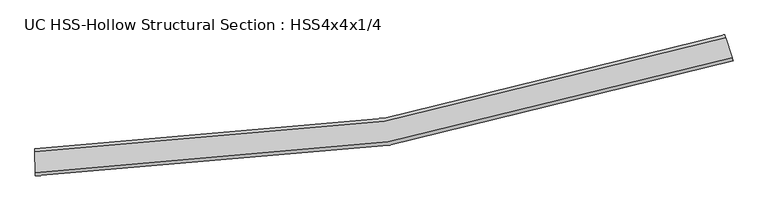
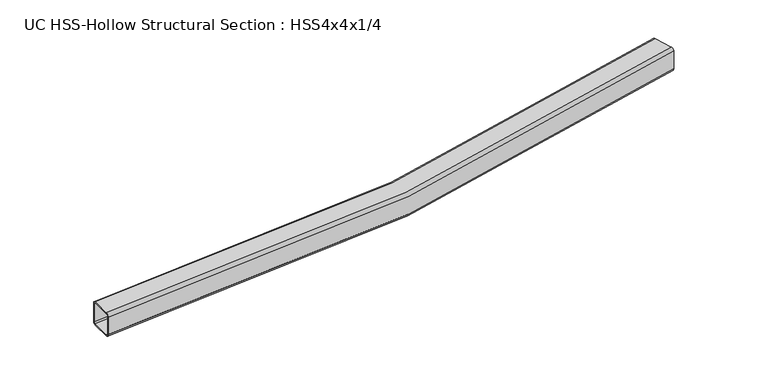
"""IFC4 building model written with IfcOpenShell, lengths in millimetres: beam geometry, UC HSS-Hollow Structural Section : HSS4x4x1/4."""

from ifc_helpers import new_model, si_unit, point, frame, origin, place, context, project, spatial, polyline, circle_curve, ellipse_curve, trimmed, source, transform, mapped, element, save
from ifc_brep_helpers import plane_surface, cylinder_surface, revolved_surface, advanced_brep


def uc_hss_hollow_structural_section_hss4x4x1_4_cd1f9de2(model_context):
    return source(origin(), model_context, "Body", "AdvancedBrep", [
        advanced_brep(
        [(2681.549469, 376.1868818, 38.9636), (2681.549469, 376.1868818, -38.9636), (2677.8732257, 387.4379085, -50.8), (2653.6699758, 461.511191, -50.8), (2649.9937325, 472.7622176, -38.9636), (2649.9937325, 472.7622176, 38.9636), (2653.6699758, 461.511191, 50.8), (2677.8732257, 387.4379085, 50.8), (2653.6699758, 461.511191, 44.8818), (2651.8318541, 467.1367043, 38.9636), (2651.8318541, 467.1367043, -38.9636), (2653.6699758, 461.511191, -44.8818), (2677.8732257, 387.4379085, -44.8818), (2679.7113474, 381.8123951, -38.9636), (2679.7113474, 381.8123951, 38.9636), (2677.8732257, 387.4379085, 44.8818), (93.011148, -50.2989842, 38.9636), (92.8836353, -38.4632711, 50.8), (92.0441311, 39.4594068, 50.8), (91.9166184, 51.29512, 38.9636), (91.9166184, 51.29512, -38.9636), (92.0441311, 39.4594068, -50.8), (92.8836353, -38.4632711, -50.8), (93.011148, -50.2989842, -38.9636), (92.0441311, 39.4594068, 44.8818), (92.8836353, -38.4632711, 44.8818), (92.9473917, -44.3811276, 38.9636), (92.9473917, -44.3811276, -38.9636), (92.8836353, -38.4632711, -44.8818), (92.0441311, 39.4594068, -44.8818), (91.9803747, 45.3772634, -38.9636), (91.9803747, 45.3772634, 38.9636)],
        [
            (0, 1),
            (1, 2, circle_curve(frame((2677.8732257, 387.4379085, -38.9636), z_axis=(0.9505446438749023, 0.3105879585572099, 0.0), x_axis=(-0.3105879585572099, 0.9505446438749023, 0.0)), 11.8364)),
            (2, 3),
            (3, 4, circle_curve(frame((2653.6699758, 461.511191, -38.9636), z_axis=(0.9505446438749023, 0.3105879585572099, 0.0), x_axis=(-0.3105879585572099, 0.9505446438749023, 0.0)), 11.8364)),
            (4, 5),
            (5, 6, circle_curve(frame((2653.6699758, 461.511191, 38.9636), z_axis=(0.9505446438749023, 0.3105879585572099, 0.0), x_axis=(-0.3105879585572099, 0.9505446438749023, 0.0)), 11.8364)),
            (6, 7),
            (7, 0, circle_curve(frame((2677.8732257, 387.4379085, 38.9636), z_axis=(0.9505446438749023, 0.3105879585572099, 0.0), x_axis=(-0.3105879585572099, 0.9505446438749023, 0.0)), 11.8364)),
            (8, 9, circle_curve(frame((2653.6699758, 461.511191, 38.9636), z_axis=(-0.9505446438749023, -0.3105879585572099, 0.0), x_axis=(-0.3105879585572099, 0.9505446438749023, 0.0)), 5.9182)),
            (9, 10),
            (10, 11, circle_curve(frame((2653.6699758, 461.511191, -38.9636), z_axis=(-0.9505446438749023, -0.3105879585572099, 0.0), x_axis=(-0.3105879585572099, 0.9505446438749023, 0.0)), 5.9182)),
            (11, 12),
            (12, 13, circle_curve(frame((2677.8732257, 387.4379085, -38.9636), z_axis=(-0.9505446438749023, -0.3105879585572099, 0.0), x_axis=(-0.3105879585572099, 0.9505446438749023, 0.0)), 5.9182)),
            (13, 14),
            (14, 15, circle_curve(frame((2677.8732257, 387.4379085, 38.9636), z_axis=(-0.9505446438749023, -0.3105879585572099, 0.0), x_axis=(-0.3105879585572099, 0.9505446438749023, 0.0)), 5.9182)),
            (15, 8),
            (16, 17, circle_curve(frame((92.8836353, -38.4632711, 38.9636), z_axis=(-0.999941970314481, -0.010772929202112813, 0.0), x_axis=(-0.010772929202112813, 0.999941970314481, 0.0)), 11.8364)),
            (17, 18),
            (18, 19, circle_curve(frame((92.0441311, 39.4594068, 38.9636), z_axis=(-0.999941970314481, -0.010772929202112813, 0.0), x_axis=(-0.010772929202112813, 0.999941970314481, 0.0)), 11.8364)),
            (19, 20),
            (20, 21, circle_curve(frame((92.0441311, 39.4594068, -38.9636), z_axis=(-0.999941970314481, -0.010772929202112813, 0.0), x_axis=(-0.010772929202112813, 0.999941970314481, 0.0)), 11.8364)),
            (21, 22),
            (22, 23, circle_curve(frame((92.8836353, -38.4632711, -38.9636), z_axis=(-0.999941970314481, -0.010772929202112813, 0.0), x_axis=(-0.010772929202112813, 0.999941970314481, 0.0)), 11.8364)),
            (23, 16),
            (24, 25),
            (25, 26, circle_curve(frame((92.8836353, -38.4632711, 38.9636), z_axis=(0.999941970314481, 0.010772929202112813, 0.0), x_axis=(-0.010772929202112813, 0.999941970314481, 0.0)), 5.9182)),
            (26, 27),
            (27, 28, circle_curve(frame((92.8836353, -38.4632711, -38.9636), z_axis=(0.999941970314481, 0.010772929202112813, 0.0), x_axis=(-0.010772929202112813, 0.999941970314481, 0.0)), 5.9182)),
            (28, 29),
            (29, 30, circle_curve(frame((92.0441311, 39.4594068, -38.9636), z_axis=(0.999941970314481, 0.010772929202112813, 0.0), x_axis=(-0.010772929202112813, 0.999941970314481, 0.0)), 5.9182)),
            (30, 31),
            (31, 24, circle_curve(frame((92.0441311, 39.4594068, 38.9636), z_axis=(0.999941970314481, 0.010772929202112813, 0.0), x_axis=(-0.010772929202112813, 0.999941970314481, 0.0)), 5.9182)),
            (7, 17, circle_curve(frame((0.0, 8582.9843924, 50.8), z_axis=(0.0, 0.0, -1.0), x_axis=(-0.9002825466329825, 0.43530602594959755, 0.0)), 8621.9479924)),
            (16, 0, circle_curve(frame((0.0, 8582.9843924, 38.9636), z_axis=(0.0, 0.0, 1.0), x_axis=(-0.9002825466329825, 0.43530602594959755, 0.0)), 8633.7843924)),
            (6, 18, circle_curve(frame((0.0, 8582.9843924, 50.8), z_axis=(0.0, 0.0, -1.0), x_axis=(-0.9002825466329825, 0.43530602594959755, 0.0)), 8544.0207924)),
            (5, 19, circle_curve(frame((0.0, 8582.9843924, 38.9636), z_axis=(0.0, 0.0, -1.0), x_axis=(-0.9002825466329825, 0.43530602594959755, 0.0)), 8532.1843924)),
            (4, 20, circle_curve(frame((0.0, 8582.9843924, -38.9636), z_axis=(0.0, 0.0, -1.0), x_axis=(-0.9002825466329825, 0.43530602594959755, 0.0)), 8532.1843924)),
            (3, 21, circle_curve(frame((0.0, 8582.9843924, -50.8), z_axis=(0.0, 0.0, -1.0), x_axis=(-0.9002825466329825, 0.43530602594959755, 0.0)), 8544.0207924)),
            (2, 22, circle_curve(frame((0.0, 8582.9843924, -50.8), z_axis=(0.0, 0.0, -1.0), x_axis=(-0.9002825466329825, 0.43530602594959755, 0.0)), 8621.9479924)),
            (1, 23, circle_curve(frame((0.0, 8582.9843924, -38.9636), z_axis=(0.0, 0.0, -1.0), x_axis=(-0.9002825466329825, 0.43530602594959755, 0.0)), 8633.7843924)),
            (15, 25, circle_curve(frame((0.0, 8582.9843924, 44.8818), z_axis=(0.0, 0.0, -1.0), x_axis=(-0.9002825466329825, 0.43530602594959755, 0.0)), 8621.9479924)),
            (24, 8, circle_curve(frame((0.0, 8582.9843924, 44.8818), z_axis=(0.0, 0.0, 1.0), x_axis=(-0.9002825466329825, 0.43530602594959755, 0.0)), 8544.0207924)),
            (14, 26, circle_curve(frame((0.0, 8582.9843924, 38.9636), z_axis=(0.0, 0.0, -1.0), x_axis=(-0.9002825466329825, 0.43530602594959755, 0.0)), 8627.8661924)),
            (13, 27, circle_curve(frame((0.0, 8582.9843924, -38.9636), z_axis=(0.0, 0.0, -1.0), x_axis=(-0.9002825466329825, 0.43530602594959755, 0.0)), 8627.8661924)),
            (12, 28, circle_curve(frame((0.0, 8582.9843924, -44.8818), z_axis=(0.0, 0.0, -1.0), x_axis=(-0.9002825466329825, 0.43530602594959755, 0.0)), 8621.9479924)),
            (11, 29, circle_curve(frame((0.0, 8582.9843924, -44.8818), z_axis=(0.0, 0.0, -1.0), x_axis=(-0.9002825466329825, 0.43530602594959755, 0.0)), 8544.0207924)),
            (10, 30, circle_curve(frame((0.0, 8582.9843924, -38.9636), z_axis=(0.0, 0.0, -1.0), x_axis=(-0.9002825466329825, 0.43530602594959755, 0.0)), 8538.1025924)),
            (9, 31, circle_curve(frame((0.0, 8582.9843924, 38.9636), z_axis=(0.0, 0.0, -1.0), x_axis=(-0.9002825466329825, 0.43530602594959755, 0.0)), 8538.1025924)),
        ],
        [
            plane_surface(frame((2665.7716008, 424.4745497, 0.0), z_axis=(0.9505446438749002, 0.3105879585572165, 0.0), x_axis=(0.0, 0.0, 1.0))),
            plane_surface(frame((92.4638832, 0.4980679, 0.0), z_axis=(-0.9999419703144808, -0.010772929202119752, 0.0), x_axis=(0.0, 0.0, 1.0))),
            revolved_surface(trimmed(ellipse_curve(frame((-7762.1892955, 12336.1703089, 38.9636), z_axis=(-0.43530602594960377, -0.9002825466329795, 0.0), x_axis=(0.9002825466329795, -0.43530602594960377, 0.0)), 11.8364, 11.8364), [point((-7762.1892955, 12336.1703089, 50.8))], [point((-7772.8453998, 12341.3227651, 38.9636))], True, "CARTESIAN"), (0.0, 8582.9843924, 0.0), (0.0, 0.0, -1.0)),
            plane_surface(frame((0.0, 8582.9843924, 50.8), z_axis=(0.0, 0.0, 1.0), x_axis=(-0.9002825466329825, 0.43530602594959755, 0.0))),
            revolved_surface(trimmed(ellipse_curve(frame((-7692.0327974, 12302.2481291, 38.9636), z_axis=(-0.43530602594960377, -0.9002825466329795, 0.0), x_axis=(0.9002825466329795, -0.43530602594960377, 0.0)), 11.8364, 11.8364), [point((-7681.3766931, 12297.0956729, 38.9636))], [point((-7692.0327974, 12302.2481291, 50.8))], True, "CARTESIAN"), (0.0, 8582.9843924, 0.0), (0.0, 0.0, -1.0)),
            revolved_surface(polyline([(-7681.376693132059, 12297.095672924825, -38.9636), (-7681.376693132059, 12297.095672924825, 38.9636)]), (0.0, 8582.9843924, 0.0), (0.0, 0.0, -1.0)),
            revolved_surface(trimmed(ellipse_curve(frame((-7692.0327974, 12302.2481291, -38.9636), z_axis=(-0.43530602594960377, -0.9002825466329795, 0.0), x_axis=(0.9002825466329795, -0.43530602594960377, 0.0)), 11.8364, 11.8364), [point((-7692.0327974, 12302.2481291, -50.8))], [point((-7681.3766931, 12297.0956729, -38.9636))], True, "CARTESIAN"), (0.0, 8582.9843924, 0.0), (0.0, 0.0, -1.0)),
            plane_surface(frame((0.0, 8582.9843924, -50.8), z_axis=(0.0, 0.0, -1.0), x_axis=(-0.9002825466329825, 0.43530602594959755, 0.0))),
            revolved_surface(trimmed(ellipse_curve(frame((-7762.1892955, 12336.1703089, -38.9636), z_axis=(-0.43530602594960377, -0.9002825466329795, 0.0), x_axis=(0.9002825466329795, -0.43530602594960377, 0.0)), 11.8364, 11.8364), [point((-7772.8453998, 12341.3227651, -38.9636))], [point((-7762.1892955, 12336.1703089, -50.8))], True, "CARTESIAN"), (0.0, 8582.9843924, 0.0), (0.0, 0.0, -1.0)),
            cylinder_surface(frame((0.0, 8582.9843924, 0.0), z_axis=(0.0, 0.0, -1.0), x_axis=(-0.9002825466329825, 0.43530602594959755, 0.0)), 8633.7843924),
            plane_surface(frame((0.0, 8582.9843924, 44.8818), z_axis=(0.0, 0.0, -1.0), x_axis=(-0.9002825466329825, 0.43530602594959755, 0.0))),
            revolved_surface(trimmed(ellipse_curve(frame((-7762.1892955, 12336.1703089, 38.9636), z_axis=(0.43530602594960377, 0.9002825466329795, 0.0), x_axis=(0.9002825466329795, -0.43530602594960377, 0.0)), 5.9182, 5.9182), [point((-7767.5173477, 12338.746537, 38.9636))], [point((-7762.1892955, 12336.1703089, 44.8818))], True, "CARTESIAN"), (0.0, 8582.9843924, 0.0), (0.0, 0.0, -1.0)),
            revolved_surface(polyline([(-7767.517347702486, 12338.746537038529, -38.9636), (-7767.517347702486, 12338.746537038529, 38.9636)]), (0.0, 8582.9843924, 0.0), (0.0, 0.0, -1.0)),
            revolved_surface(trimmed(ellipse_curve(frame((-7762.1892955, 12336.1703089, -38.9636), z_axis=(0.43530602594960377, 0.9002825466329795, 0.0), x_axis=(0.9002825466329795, -0.43530602594960377, 0.0)), 5.9182, 5.9182), [point((-7762.1892955, 12336.1703089, -44.8818))], [point((-7767.5173477, 12338.746537, -38.9636))], True, "CARTESIAN"), (0.0, 8582.9843924, 0.0), (0.0, 0.0, -1.0)),
            plane_surface(frame((0.0, 8582.9843924, -44.8818), z_axis=(0.0, 0.0, 1.0), x_axis=(-0.9002825466329825, 0.43530602594959755, 0.0))),
            revolved_surface(trimmed(ellipse_curve(frame((-7692.0327974, 12302.2481291, -38.9636), z_axis=(0.43530602594960377, 0.9002825466329795, 0.0), x_axis=(0.9002825466329795, -0.43530602594960377, 0.0)), 5.9182, 5.9182), [point((-7686.7047453, 12299.671901, -38.9636))], [point((-7692.0327974, 12302.2481291, -44.8818))], True, "CARTESIAN"), (0.0, 8582.9843924, 0.0), (0.0, 0.0, -1.0)),
            cylinder_surface(frame((0.0, 8582.9843924, 0.0), z_axis=(0.0, 0.0, -1.0), x_axis=(-0.9002825466329825, 0.43530602594959755, 0.0)), 8538.1025924),
            revolved_surface(trimmed(ellipse_curve(frame((-7692.0327974, 12302.2481291, 38.9636), z_axis=(0.43530602594960377, 0.9002825466329795, 0.0), x_axis=(0.9002825466329795, -0.43530602594960377, 0.0)), 5.9182, 5.9182), [point((-7692.0327974, 12302.2481291, 44.8818))], [point((-7686.7047453, 12299.671901, 38.9636))], True, "CARTESIAN"), (0.0, 8582.9843924, 0.0), (0.0, 0.0, -1.0)),
        ],
        [
            (0, [[1, 2, 3, 4, 5, 6, 7, 8], [9, 10, 11, 12, 13, 14, 15, 16]]),
            (1, [[17, 18, 19, 20, 21, 22, 23, 24], [25, 26, 27, 28, 29, 30, 31, 32]]),
            (2, [[33, -17, 34, -8]]),
            (3, [[35, -18, -33, -7]]),
            (4, [[36, -19, -35, -6]]),
            (5, [[37, -20, -36, -5]]),
            (6, [[38, -21, -37, -4]]),
            (7, [[39, -22, -38, -3]]),
            (8, [[40, -23, -39, -2]]),
            (9, [[-34, -24, -40, -1]]),
            (10, [[41, -25, 42, -16]]),
            (11, [[43, -26, -41, -15]]),
            (12, [[44, -27, -43, -14]]),
            (13, [[45, -28, -44, -13]]),
            (14, [[46, -29, -45, -12]]),
            (15, [[47, -30, -46, -11]]),
            (16, [[48, -31, -47, -10]]),
            (17, [[-42, -32, -48, -9]]),
        ],
    ),
    ])


if __name__ == "__main__":
    model = new_model("IFC4")
    model_context = context("Model", 3, world=origin())
    ifc_project = project(units=[si_unit("LENGTHUNIT", "METRE", prefix="MILLI")], contexts=[model_context])
    site = spatial("IfcSite", under=ifc_project)
    building = spatial("IfcBuilding", under=site)
    placement = place(None, origin())
    uc_hss_hollow_structural_section_hss4x4x1_4_shape = uc_hss_hollow_structural_section_hss4x4x1_4_cd1f9de2(model_context)
    element("IfcBeam", 1, ObjectType="UC HSS-Hollow Structural Section : HSS4x4x1/4", at=placement, inside=building, context=model_context, shape_type="MappedRepresentation", body=[
        mapped(uc_hss_hollow_structural_section_hss4x4x1_4_shape, transform((0.0, 0.0, 0.0), x_axis=(1.0, 0.0, 0.0), y_axis=(0.0, 1.0, 0.0), z_axis=(0.0, 0.0, 1.0))),
    ])
    save(model, "model.ifc")
